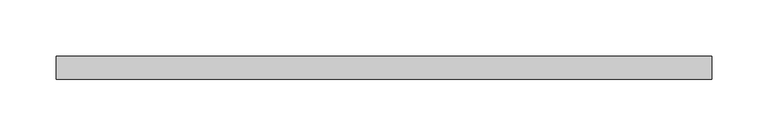
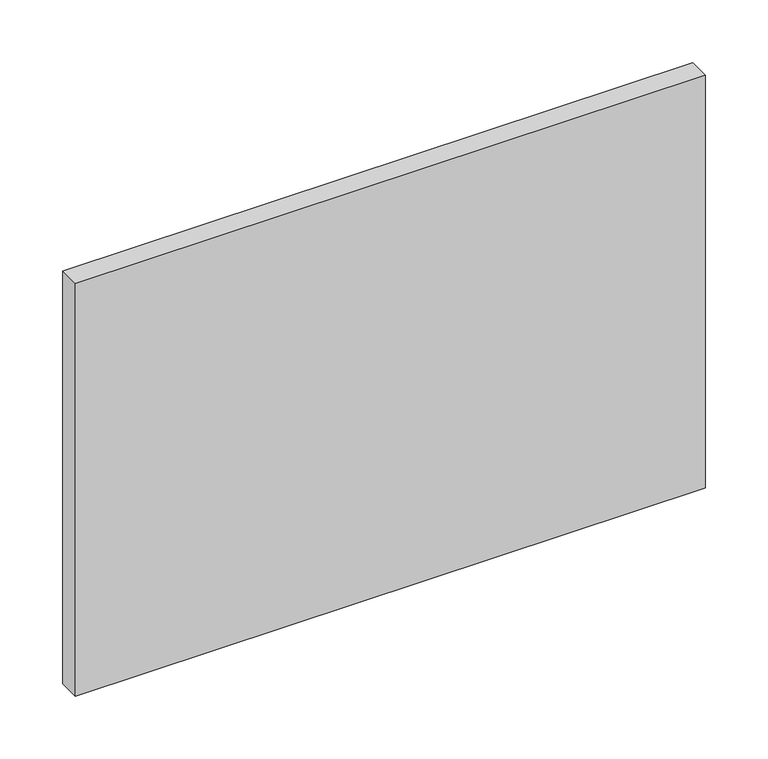
"""IFC4 building model written with IfcOpenShell, lengths in millimetres: plate geometry."""

from ifc_helpers import new_model, si_unit, origin, origin_with_axes, place, context, project, spatial, polyline, outline, extrude, source, transform, mapped, element, save


def plate_a7850a33(model_context):
    return source(origin(), model_context, "Body", "SweptSolid", [
        extrude(outline(polyline([(290.0, 70.0), (-290.0, 70.0), (-290.0, 90.0), (290.0, 90.0), (290.0, 70.0)])), origin_with_axes(), (0.0, 0.0, 1.0), 401.9310345),
    ])


if __name__ == "__main__":
    model = new_model("IFC4")
    model_context = context("Model", 3, world=origin())
    ifc_project = project(units=[si_unit("LENGTHUNIT", "METRE", prefix="MILLI")], contexts=[model_context])
    site = spatial("IfcSite", under=ifc_project)
    building = spatial("IfcBuilding", under=site)
    placement = place(None, origin())
    plate_shape = plate_a7850a33(model_context)
    element("IfcPlate", 1, at=placement, inside=building, context=model_context, shape_type="MappedRepresentation", body=[
        mapped(plate_shape, transform((0.0, 0.0, 0.0), x_axis=(1.0, 0.0, 0.0), y_axis=(0.0, 1.0, 0.0), z_axis=(0.0, 0.0, 1.0))),
    ])
    save(model, "model.ifc")
